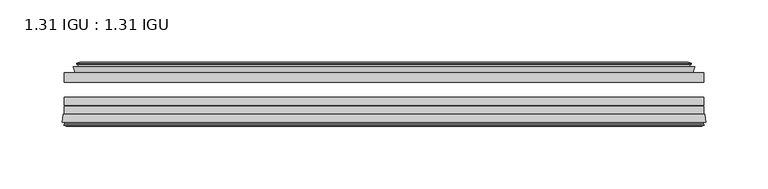
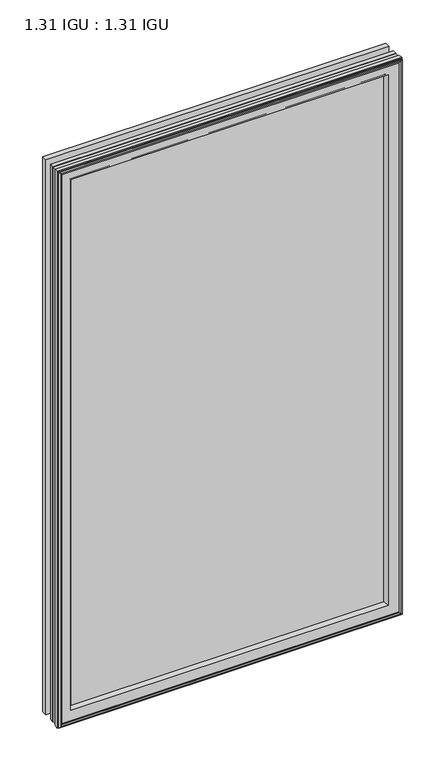
"""IFC4 building model written with IfcOpenShell, lengths in millimetres: plate geometry, 1.31 IGU : 1.31 IGU."""

from ifc_helpers import new_model, si_unit, frame, origin, place, context, project, spatial, polyline, ellipse_curve, outline, extrude, faceted_brep, source, transform, mapped, element, save
from ifc_brep_helpers import plane_surface, revolved_surface, advanced_brep


def plate_1_31_igu_1_31_igu_29b11c52(model_context):
    return source(origin(), model_context, "Body", "SolidModel", [
        extrude(outline(polyline([(256.3471354, -17.9712937), (256.3471354, -25.8960937), (-256.3471354, -25.8960937), (-256.3471354, -17.9712937), (256.3471354, -17.9712937)])), frame((0.0, 0.0, -19.05), z_axis=(0.0, 0.0, 1.0), x_axis=(1.0, 0.0, 0.0)), (0.0, 0.0, 1.0), 876.3),
        extrude(outline(polyline([(-256.3471354, -51.2960937), (-256.3471354, -44.9460937), (256.3471354, -44.9460937), (256.3471354, -51.2960937), (-256.3471354, -51.2960937)])), frame((0.0, 0.0, -19.05), z_axis=(0.0, 0.0, 1.0), x_axis=(1.0, 0.0, 0.0)), (0.0, 0.0, 1.0), 876.3),
        extrude(outline(polyline([(-256.3471354, -44.1586938), (-256.3471354, -37.8086938), (256.3471354, -37.8086938), (256.3471354, -44.1586938), (-256.3471354, -44.1586938)])), frame((0.0, 0.0, -19.05), z_axis=(0.0, 0.0, 1.0), x_axis=(1.0, 0.0, 0.0)), (0.0, 0.0, 1.0), 876.3),
        faceted_brep([(-247.4285358, -17.9712937, 848.3314005), (-249.0727691, -13.1960937, 849.9756337), (-249.0727691, -13.1960937, -11.7756337), (-247.4285358, -17.9712937, -10.1314005), (-237.8178354, -13.1960937, 838.7207), (-236.6484048, -17.9712937, 837.5512695), (-236.6484048, -17.9712937, 0.6487305), (-237.8178354, -13.1960937, -0.5207), (-243.3825556, -10.902778, 844.2854203), (-242.7680635, -13.1960937, 843.6709281), (-242.7680635, -13.1960937, -5.4709281), (-243.3825556, -10.902778, -6.0854203), (-241.9903063, -11.27583, 842.8931709), (-241.9903063, -11.27583, -4.6931709), (-241.758989, -10.4125422, 842.6618537), (-241.758989, -10.4125422, -4.4618537), (-244.1678354, -9.7670937, 845.0707), (-244.1678354, -9.7670937, -6.8707), (-246.5766817, -10.4125422, 847.4795463), (-246.5766817, -10.4125422, -9.2795463), (-246.3453644, -11.27583, 847.2482291), (-246.3453644, -11.27583, -9.0482291), (-244.9585368, -10.9042307, 845.8614014), (-244.9585368, -10.9042307, -7.6614014), (-245.7032082, -13.1960937, 846.6060729), (-245.7032082, -13.1960937, -8.4060729), (249.0727691, -13.1960937, -11.7756337), (247.4285358, -17.9712937, -10.1314005), (236.6484048, -17.9712937, 0.6487305), (237.8178354, -13.1960937, -0.5207), (242.7680635, -13.1960937, -5.4709281), (243.3825556, -10.902778, -6.0854203), (241.9903063, -11.27583, -4.6931709), (241.758989, -10.4125422, -4.4618537), (244.1678354, -9.7670937, -6.8707), (246.5766817, -10.4125422, -9.2795463), (246.3453644, -11.27583, -9.0482291), (244.9585368, -10.9042307, -7.6614014), (245.7032082, -13.1960937, -8.4060729), (249.0727691, -13.1960937, 849.9756337), (247.4285358, -17.9712937, 848.3314005), (236.6484048, -17.9712937, 837.5512695), (237.8178354, -13.1960937, 838.7207), (242.7680635, -13.1960937, 843.6709281), (243.3825556, -10.902778, 844.2854203), (241.9903063, -11.27583, 842.8931709), (241.758989, -10.4125422, 842.6618537), (244.1678354, -9.7670937, 845.0707), (246.5766817, -10.4125422, 847.4795463), (246.3453644, -11.27583, 847.2482291), (244.9585368, -10.9042307, 845.8614014), (245.7032082, -13.1960937, 846.6060729)], [[[0, 1, 2, 3]], [[4, 5, 6, 7]], [[8, 9, 10, 11]], [[12, 8, 11, 13]], [[14, 12, 13, 15]], [[16, 14, 15, 17]], [[18, 16, 17, 19]], [[20, 18, 19, 21]], [[22, 20, 21, 23]], [[24, 22, 23, 25]], [[3, 2, 26, 27]], [[7, 6, 28, 29]], [[11, 10, 30, 31]], [[13, 11, 31, 32]], [[15, 13, 32, 33]], [[17, 15, 33, 34]], [[19, 17, 34, 35]], [[21, 19, 35, 36]], [[23, 21, 36, 37]], [[25, 23, 37, 38]], [[27, 26, 39, 40]], [[29, 28, 41, 42]], [[31, 30, 43, 44]], [[32, 31, 44, 45]], [[33, 32, 45, 46]], [[34, 33, 46, 47]], [[35, 34, 47, 48]], [[36, 35, 48, 49]], [[37, 36, 49, 50]], [[38, 37, 50, 51]], [[40, 39, 1, 0]], [[3, 27, 40, 0], [5, 41, 28, 6]], [[42, 41, 5, 4]], [[9, 43, 30, 10], [7, 29, 42, 4]], [[44, 43, 9, 8]], [[45, 44, 8, 12]], [[46, 45, 12, 14]], [[47, 46, 14, 16]], [[48, 47, 16, 18]], [[49, 48, 18, 20]], [[50, 49, 20, 22]], [[51, 50, 22, 24]], [[1, 39, 26, 2], [25, 38, 51, 24]]]),
        advanced_brep(
        [(-233.6598204, -51.2960937, 834.5626851), (-237.2971354, -57.6460937, 838.2), (-237.2971354, -57.6460937, 0.0), (-233.6598204, -51.2960937, 3.6373149), (-257.9429137, -57.6460937, 858.8457783), (-257.1632317, -51.2960937, 858.0660964), (-257.1632317, -51.2960937, -19.8660964), (-257.9429137, -57.6460937, -20.6457783), (-255.5429098, -59.6558685, 856.4457744), (-256.0019366, -57.6460937, 856.9048013), (-256.0019366, -57.6460937, -18.7048013), (-255.5429098, -59.6558685, -18.2457744), (-256.5265941, -59.3738016, 857.4294588), (-256.5265941, -59.3738016, -19.2294588), (-256.7800786, -60.2578071, 857.6829433), (-256.7800786, -60.2578071, -19.4829433), (-254.7571351, -60.8378768, 855.6599998), (-254.7571351, -60.8378768, -17.4599998), (-252.7134743, -60.2902795, 853.6163389), (-252.7134743, -60.2902795, -15.4163389), (-252.9583436, -59.3764147, 853.8612083), (-252.9583436, -59.3764147, -15.6612083), (-253.9809774, -59.6504286, 854.8838421), (-253.9809774, -59.6504286, -16.6838421), (-253.5182403, -57.6460937, 854.4211049), (-253.5182403, -57.6460937, -16.2211049), (237.2971354, -57.6460938, 0.0), (233.6598204, -51.2960937, 3.6373149), (257.1632317, -51.2960937, -19.8660964), (257.9429137, -57.6460938, -20.6457783), (256.0019366, -57.6460938, -18.7048013), (255.5429098, -59.6558685, -18.2457744), (256.5265941, -59.3738016, -19.2294588), (256.7800786, -60.2578071, -19.4829433), (254.7571351, -60.8378768, -17.4599998), (252.7134743, -60.2902795, -15.4163389), (252.9583436, -59.3764147, -15.6612083), (253.9809774, -59.6504286, -16.6838421), (253.5182403, -57.6460938, -16.2211049), (237.2971354, -57.6460938, 838.2), (233.6598204, -51.2960937, 834.5626851), (257.1632317, -51.2960937, 858.0660964), (257.9429137, -57.6460938, 858.8457783), (256.0019366, -57.6460938, 856.9048013), (255.5429098, -59.6558685, 856.4457744), (256.5265941, -59.3738016, 857.4294588), (256.7800786, -60.2578071, 857.6829433), (254.7571351, -60.8378768, 855.6599998), (252.7134743, -60.2902795, 853.6163389), (252.9583436, -59.3764147, 853.8612083), (253.9809774, -59.6504286, 854.8838421), (253.5182403, -57.6460938, 854.4211049)],
        [
            (0, 1, ellipse_curve(frame((-228.8661903, -58.2586484, 829.769055), z_axis=(0.7071067811865475, 0.0, 0.7071067811865475), x_axis=(0.7071067811865474, 0.0, -0.7071067811865476)), 11.9545855, 8.4531685)),
            (1, 2),
            (2, 3, ellipse_curve(frame((-228.8661903, -58.2586484, 8.430945), z_axis=(0.7071067811865475, 0.0, -0.7071067811865475), x_axis=(-0.7071067811865474, 0.0, -0.7071067811865476)), 11.9545855, 8.4531685)),
            (3, 0),
            (4, 5),
            (5, 6),
            (6, 7),
            (7, 4),
            (8, 9),
            (9, 10),
            (10, 11),
            (11, 8),
            (12, 8),
            (11, 13),
            (13, 12),
            (14, 12),
            (13, 15),
            (15, 14),
            (16, 14),
            (15, 17),
            (17, 16),
            (18, 16),
            (17, 19),
            (19, 18),
            (20, 18),
            (19, 21),
            (21, 20),
            (22, 20),
            (21, 23),
            (23, 22),
            (24, 22),
            (23, 25),
            (25, 24),
            (2, 26),
            (26, 27, ellipse_curve(frame((228.8661903, -58.2586484, 8.430945), z_axis=(0.7071067811865475, 0.0, 0.7071067811865475), x_axis=(0.7071067811865476, 0.0, -0.7071067811865474)), 11.9545855, 8.4531685)),
            (27, 3),
            (6, 28),
            (28, 29),
            (29, 7),
            (10, 30),
            (30, 31),
            (31, 11),
            (31, 32),
            (32, 13),
            (32, 33),
            (33, 15),
            (33, 34),
            (34, 17),
            (34, 35),
            (35, 19),
            (35, 36),
            (36, 21),
            (36, 37),
            (37, 23),
            (37, 38),
            (38, 25),
            (26, 39),
            (39, 40, ellipse_curve(frame((228.8661903, -58.2586484, 829.769055), z_axis=(-0.7071067811865475, 0.0, 0.7071067811865475), x_axis=(0.7071067811865474, 0.0, 0.7071067811865476)), 11.9545855, 8.4531685)),
            (40, 27),
            (28, 41),
            (41, 42),
            (42, 29),
            (30, 43),
            (43, 44),
            (44, 31),
            (44, 45),
            (45, 32),
            (45, 46),
            (46, 33),
            (46, 47),
            (47, 34),
            (47, 48),
            (48, 35),
            (48, 49),
            (49, 36),
            (49, 50),
            (50, 37),
            (50, 51),
            (51, 38),
            (51, 24),
            (1, 39),
            (0, 40),
            (5, 41),
            (4, 42),
            (9, 43),
            (8, 44),
            (12, 45),
            (14, 46),
            (16, 47),
            (18, 48),
            (20, 49),
            (22, 50),
        ],
        [
            revolved_surface(polyline([(-237.3193588, -58.2586484, -0.02222347332440222), (-237.3193588, -58.2586484, 838.2222234733243)]), (-228.8661903, -58.2586484, 869.95), (0.0, 0.0, -1.0)),
            plane_surface(frame((-257.1632317, -51.2960937, 858.0660964), z_axis=(-0.9925461516413234, 0.12186934340513637, 0.0), x_axis=(0.0, 0.0, -1.0))),
            plane_surface(frame((-256.0019366, -57.6460937, 856.9048013), z_axis=(-0.9748953990049445, -0.22266333555165796, 0.0), x_axis=(0.0, 0.0, -1.0))),
            plane_surface(frame((-255.5429098, -59.6558685, 856.4457744), z_axis=(0.27563735581726606, 0.9612616959382424, 0.0), x_axis=(0.0, 0.0, -1.0))),
            plane_surface(frame((-256.5265941, -59.3738016, 857.4294588), z_axis=(-0.9612616959382463, 0.2756373558172523, 0.0), x_axis=(0.0, 0.0, -1.0))),
            plane_surface(frame((-256.7800786, -60.2578071, 857.6829433), z_axis=(-0.2756373558170135, -0.9612616959383148, 0.0), x_axis=(0.0, 0.0, -1.0))),
            plane_surface(frame((-254.7571351, -60.8378768, 855.6599998), z_axis=(0.25881904510226056, -0.965925826289138, 0.0), x_axis=(0.0, 0.0, -1.0))),
            plane_surface(frame((-252.7134743, -60.2902795, 853.6163389), z_axis=(0.9659258262891444, 0.25881904510223736, 0.0), x_axis=(0.0, 0.0, -1.0))),
            plane_surface(frame((-252.9583436, -59.3764147, 853.8612083), z_axis=(-0.2588190451025015, 0.9659258262890735, 0.0), x_axis=(0.0, 0.0, -1.0))),
            plane_surface(frame((-253.9809774, -59.6504286, 854.8838421), z_axis=(0.9743700647852117, -0.22495105434396695, 0.0), x_axis=(0.0, 0.0, -1.0))),
            revolved_surface(polyline([(237.31935877332432, -58.2586484, -0.02222350000000084), (-237.31935877332438, -58.2586484, -0.02222350000000084)]), (-269.0471354, -58.2586484, 8.430945), (1.0, 0.0, 0.0)),
            plane_surface(frame((-257.1632317, -51.2960937, -19.8660964), z_axis=(0.0, 0.12186934340513315, -0.9925461516413239), x_axis=(1.0, 0.0, 0.0))),
            plane_surface(frame((-256.0019366, -57.6460937, -18.7048013), z_axis=(0.0, -0.22266333555166112, -0.9748953990049438), x_axis=(1.0, 0.0, 0.0))),
            plane_surface(frame((-255.5429098, -59.6558685, -18.2457744), z_axis=(0.0, 0.9612616959382433, 0.27563735581726295), x_axis=(1.0, 0.0, 0.0))),
            plane_surface(frame((-256.5265941, -59.3738016, -19.2294588), z_axis=(0.0, 0.2756373558172492, -0.9612616959382472), x_axis=(1.0, 0.0, 0.0))),
            plane_surface(frame((-256.7800786, -60.2578071, -19.4829433), z_axis=(0.0, -0.9612616959383157, -0.2756373558170104), x_axis=(1.0, 0.0, 0.0))),
            plane_surface(frame((-254.7571351, -60.8378768, -17.4599998), z_axis=(0.0, -0.9659258262891373, 0.2588190451022637), x_axis=(1.0, 0.0, 0.0))),
            plane_surface(frame((-252.7134743, -60.2902795, -15.4163389), z_axis=(0.0, 0.25881904510224046, 0.9659258262891435), x_axis=(1.0, 0.0, 0.0))),
            plane_surface(frame((-252.9583436, -59.3764147, -15.6612083), z_axis=(0.0, 0.9659258262890726, -0.2588190451025046), x_axis=(1.0, 0.0, 0.0))),
            plane_surface(frame((-253.9809774, -59.6504286, -16.6838421), z_axis=(0.0, -0.22495105434396379, 0.9743700647852125), x_axis=(1.0, 0.0, 0.0))),
            revolved_surface(polyline([(237.3193588, -58.2586484, 838.2222234733243), (237.3193588, -58.2586484, -0.022223473324370246)]), (228.8661903, -58.2586484, -31.75), (0.0, 0.0, 1.0)),
            plane_surface(frame((257.1632317, -51.2960937, -19.8660964), z_axis=(0.9925461516413243, 0.12186934340512993, 0.0), x_axis=(0.0, 0.0, 1.0))),
            plane_surface(frame((256.0019366, -57.6460938, -18.7048013), z_axis=(0.9748953990049432, -0.2226633355516643, 0.0), x_axis=(0.0, 0.0, 1.0))),
            plane_surface(frame((255.5429098, -59.6558685, -18.2457744), z_axis=(-0.27563735581725984, 0.9612616959382442, 0.0), x_axis=(0.0, 0.0, 1.0))),
            plane_surface(frame((256.5265941, -59.3738016, -19.2294588), z_axis=(0.9612616959382481, 0.2756373558172461, 0.0), x_axis=(0.0, 0.0, 1.0))),
            plane_surface(frame((256.7800786, -60.2578071, -19.4829433), z_axis=(0.27563735581700727, -0.9612616959383166, 0.0), x_axis=(0.0, 0.0, 1.0))),
            plane_surface(frame((254.7571351, -60.8378768, -17.4599998), z_axis=(-0.25881904510226683, -0.9659258262891364, 0.0), x_axis=(0.0, 0.0, 1.0))),
            plane_surface(frame((252.7134743, -60.2902795, -15.4163389), z_axis=(-0.9659258262891426, 0.2588190451022436, 0.0), x_axis=(0.0, 0.0, 1.0))),
            plane_surface(frame((252.9583436, -59.3764147, -15.6612083), z_axis=(0.2588190451025077, 0.9659258262890718, 0.0), x_axis=(0.0, 0.0, 1.0))),
            plane_surface(frame((253.9809774, -59.6504286, -16.6838421), z_axis=(-0.9743700647852133, -0.22495105434396062, 0.0), x_axis=(0.0, 0.0, 1.0))),
            plane_surface(frame((253.5182403, -57.6460938, 854.4211049), z_axis=(0.0, -1.0, 0.0), x_axis=(-1.0, 0.0, 0.0))),
            revolved_surface(polyline([(-237.31935877332432, -58.2586484, 838.2222234999999), (237.31935877332438, -58.2586484, 838.2222234999999)]), (269.0471354, -58.2586484, 829.769055), (-1.0, 0.0, 0.0)),
            plane_surface(frame((233.6598204, -51.2960937, 834.5626851), z_axis=(0.0, 1.0, 0.0), x_axis=(-1.0, 0.0, 0.0))),
            plane_surface(frame((257.1632317, -51.2960937, 858.0660964), z_axis=(0.0, 0.12186934340513315, 0.9925461516413239), x_axis=(-1.0, 0.0, 0.0))),
            plane_surface(frame((257.9429137, -57.6460938, 858.8457783), z_axis=(0.0, -1.0, 0.0), x_axis=(-1.0, 0.0, 0.0))),
            plane_surface(frame((256.0019366, -57.6460938, 856.9048013), z_axis=(0.0, -0.22266333555166112, 0.9748953990049438), x_axis=(-1.0, 0.0, 0.0))),
            plane_surface(frame((255.5429098, -59.6558685, 856.4457744), z_axis=(0.0, 0.9612616959382433, -0.27563735581726295), x_axis=(-1.0, 0.0, 0.0))),
            plane_surface(frame((256.5265941, -59.3738016, 857.4294588), z_axis=(0.0, 0.2756373558172492, 0.9612616959382472), x_axis=(-1.0, 0.0, 0.0))),
            plane_surface(frame((256.7800786, -60.2578071, 857.6829433), z_axis=(0.0, -0.9612616959383157, 0.2756373558170104), x_axis=(-1.0, 0.0, 0.0))),
            plane_surface(frame((254.7571351, -60.8378768, 855.6599998), z_axis=(0.0, -0.9659258262891373, -0.2588190451022637), x_axis=(-1.0, 0.0, 0.0))),
            plane_surface(frame((252.7134743, -60.2902795, 853.6163389), z_axis=(0.0, 0.25881904510224046, -0.9659258262891435), x_axis=(-1.0, 0.0, 0.0))),
            plane_surface(frame((252.9583436, -59.3764147, 853.8612083), z_axis=(0.0, 0.9659258262890726, 0.2588190451025046), x_axis=(-1.0, 0.0, 0.0))),
            plane_surface(frame((253.9809774, -59.6504286, 854.8838421), z_axis=(0.0, -0.22495105434396379, -0.9743700647852125), x_axis=(-1.0, 0.0, 0.0))),
        ],
        [
            (0, [[1, 2, 3, 4]]),
            (1, [[5, 6, 7, 8]]),
            (2, [[9, 10, 11, 12]]),
            (3, [[13, -12, 14, 15]]),
            (4, [[16, -15, 17, 18]]),
            (5, [[19, -18, 20, 21]]),
            (6, [[22, -21, 23, 24]]),
            (7, [[25, -24, 26, 27]]),
            (8, [[28, -27, 29, 30]]),
            (9, [[31, -30, 32, 33]]),
            (10, [[-3, 34, 35, 36]]),
            (11, [[-7, 37, 38, 39]]),
            (12, [[-11, 40, 41, 42]]),
            (13, [[-14, -42, 43, 44]]),
            (14, [[-17, -44, 45, 46]]),
            (15, [[-20, -46, 47, 48]]),
            (16, [[-23, -48, 49, 50]]),
            (17, [[-26, -50, 51, 52]]),
            (18, [[-29, -52, 53, 54]]),
            (19, [[-32, -54, 55, 56]]),
            (20, [[-35, 57, 58, 59]]),
            (21, [[-38, 60, 61, 62]]),
            (22, [[-41, 63, 64, 65]]),
            (23, [[-43, -65, 66, 67]]),
            (24, [[-45, -67, 68, 69]]),
            (25, [[-47, -69, 70, 71]]),
            (26, [[-49, -71, 72, 73]]),
            (27, [[-51, -73, 74, 75]]),
            (28, [[-53, -75, 76, 77]]),
            (29, [[-55, -77, 78, 79]]),
            (30, [[-56, -79, 80, -33], [81, -57, -34, -2]]),
            (31, [[-58, -81, -1, 82]]),
            (32, [[83, -60, -37, -6], [-36, -59, -82, -4]]),
            (33, [[-61, -83, -5, 84]]),
            (34, [[-39, -62, -84, -8], [85, -63, -40, -10]]),
            (35, [[-64, -85, -9, 86]]),
            (36, [[-66, -86, -13, 87]]),
            (37, [[-68, -87, -16, 88]]),
            (38, [[-70, -88, -19, 89]]),
            (39, [[-72, -89, -22, 90]]),
            (40, [[-74, -90, -25, 91]]),
            (41, [[-76, -91, -28, 92]]),
            (42, [[-78, -92, -31, -80]]),
        ],
    ),
    ])


if __name__ == "__main__":
    model = new_model("IFC4")
    model_context = context("Model", 3, world=origin())
    ifc_project = project(units=[si_unit("LENGTHUNIT", "METRE", prefix="MILLI")], contexts=[model_context])
    site = spatial("IfcSite", under=ifc_project)
    building = spatial("IfcBuilding", under=site)
    placement = place(None, origin())
    plate_1_31_igu_1_31_igu_shape = plate_1_31_igu_1_31_igu_29b11c52(model_context)
    element("IfcPlate", 1, ObjectType="1.31 IGU : 1.31 IGU", at=placement, inside=building, context=model_context, shape_type="MappedRepresentation", body=[
        mapped(plate_1_31_igu_1_31_igu_shape, transform((0.0, 0.0, 0.0), x_axis=(1.0, 0.0, 0.0), y_axis=(0.0, 1.0, 0.0), z_axis=(0.0, 0.0, 1.0))),
    ])
    save(model, "model.ifc")
